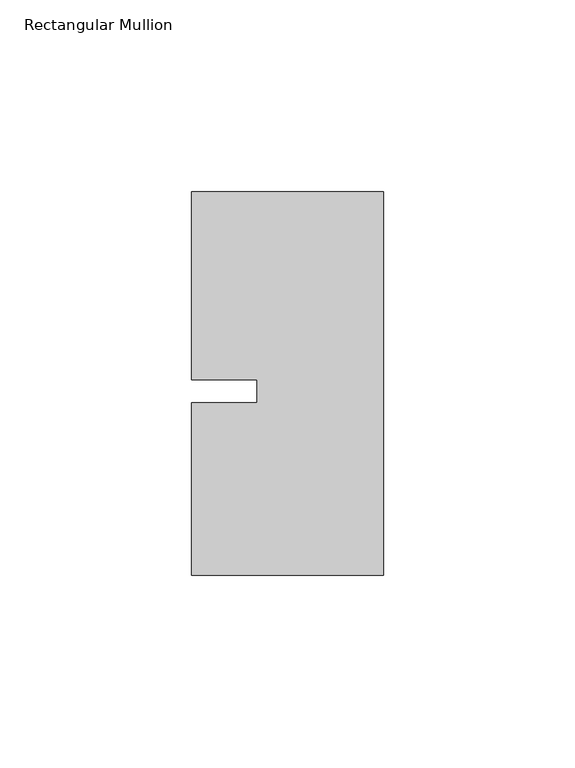
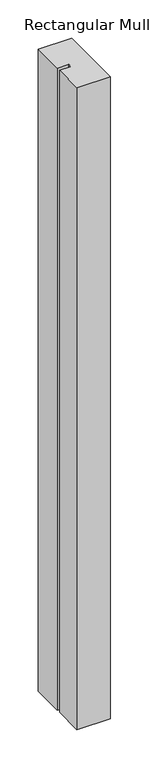
"""IFC4 building model written with IfcOpenShell, lengths in millimetres: member geometry, Rectangular Mullion."""

from ifc_helpers import new_model, si_unit, frame, origin, place, context, project, spatial, polyline, outline, extrude, source, transform, mapped, element, save


def rectangular_mullion_5b537be8(model_context):
    return source(origin(), model_context, "Body", "SweptSolid", [
        extrude(outline(polyline([(-33.0004407, -3.0000086), (-33.0004379, 3.0000086), (-49.9999762, 3.0000166), (-49.9999534, 51.9999993), (0.0, 51.9999711), (0.0, -48.000024), (-50.0, -48.0000007), (-49.999979, -3.0000007), (-33.0004407, -3.0000086)])), frame((0.0, 0.0, -1019.5417323), z_axis=(0.0, 0.0, 1.0), x_axis=(1.0, 0.0, 0.0)), (0.0, 0.0, 1.0), 1019.5417323),
    ])


if __name__ == "__main__":
    model = new_model("IFC4")
    model_context = context("Model", 3, world=origin())
    ifc_project = project(units=[si_unit("LENGTHUNIT", "METRE", prefix="MILLI")], contexts=[model_context])
    site = spatial("IfcSite", under=ifc_project)
    building = spatial("IfcBuilding", under=site)
    placement = place(None, origin())
    rectangular_mullion_shape = rectangular_mullion_5b537be8(model_context)
    element("IfcMember", 1, ObjectType="Rectangular Mullion", at=placement, inside=building, context=model_context, shape_type="MappedRepresentation", body=[
        mapped(rectangular_mullion_shape, transform((0.0, 0.0, 0.0), x_axis=(1.0, 0.0, 0.0), y_axis=(0.0, 1.0, 0.0), z_axis=(0.0, 0.0, 1.0))),
    ])
    save(model, "model.ifc")
